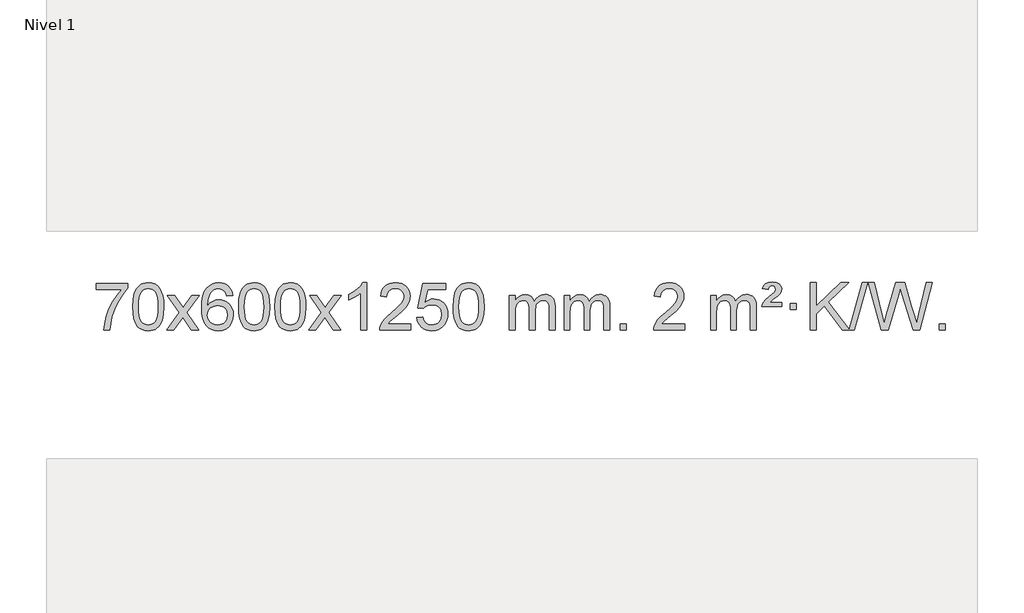
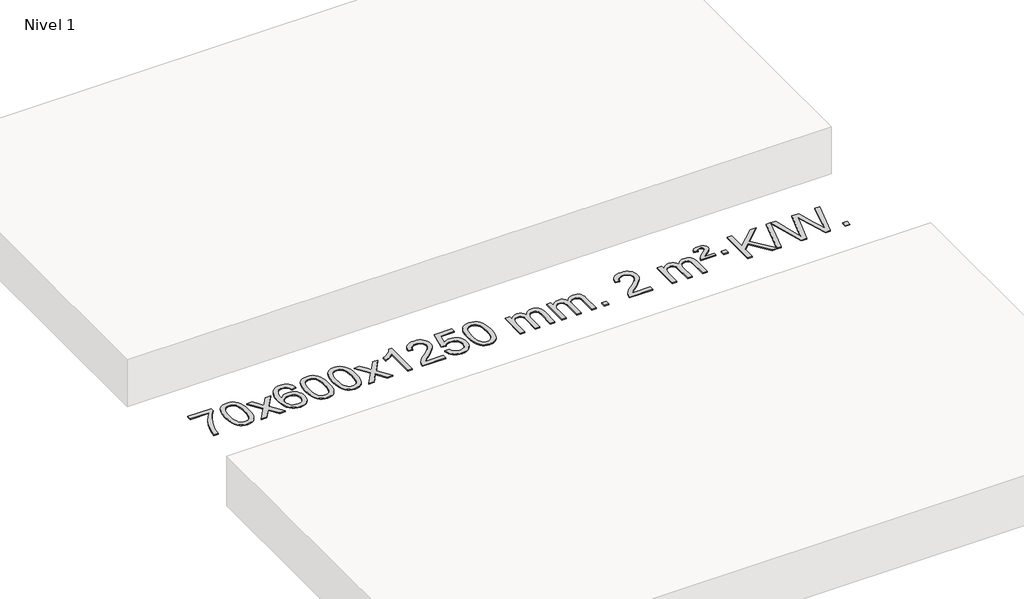
# One storey, part 3 of 7: 1 proxy.
"""IFC4 building model written with IfcOpenShell, lengths in millimetres."""

from ifc_helpers import new_model, si_unit, origin, origin_with_axes, place, context, project, spatial, polyline, outline, extrude, element, save

model = new_model("IFC4")

# Units and contexts
model_context = context("Model", 3, world=origin())
ifc_project = project(units=[si_unit("LENGTHUNIT", "METRE", prefix="MILLI")], contexts=[model_context])

# Site, building, storey
site = spatial("IfcSite", under=ifc_project)
building = spatial("IfcBuilding", under=site)
storey = spatial("IfcBuildingStorey", under=building, Name="Nivel 1", Elevation=0.0)

# Proxy
placement = place(None, origin())
element("IfcBuildingElementProxy", 1, Name="Texto de modelo 1", ObjectType="Texto de modelo 1", at=placement, inside=storey, context=model_context, shape_type="SweptSolid", body=[
    extrude(outline(polyline([(-25593.8451637, -6339.2982907), (-25593.8451637, -6289.0701357), (-25330.1473496, -6289.0701357), (-25330.1473496, -6329.6843079), (-25367.7326267, -6377.2514499), (-25404.9500219, -6437.7435126), (-25437.7773586, -6505.6422662), (-25462.1924604, -6575.4294807), (-25474.1608879, -6627.6441985), (-25480.8318148, -6684.6168569), (-25531.0599699, -6684.6168569), (-25525.6275791, -6632.8435974), (-25511.0962403, -6571.3092024), (-25487.8583609, -6506.0837246), (-25456.3063484, -6443.2372171), (-25419.469098, -6386.4239743), (-25380.3755046, -6339.2982907), (-25593.8451637, -6339.2982907)])), origin_with_axes(), (0.0, 0.0, 1.0), 10.0),
    extrude(outline(polyline([(-25286.1977139, -6486.9415981), (-25282.5066312, -6422.6235626), (-25271.4333831, -6371.3285498), (-25253.0883343, -6332.2717446), (-25241.2302713, -6317.0383643), (-25227.5818493, -6304.6683323), (-25212.097083, -6295.097269), (-25194.7299871, -6288.2607953), (-25154.3488068, -6282.7916163), (-25123.3976683, -6286.0289778), (-25095.6838913, -6295.7410625), (-25072.5073256, -6311.5477256), (-25055.1678209, -6333.0688223), (-25042.0712219, -6360.1204117), (-25031.6233732, -6392.5185527), (-25024.7807681, -6433.6600225), (-25022.4998997, -6486.9415981), (-25026.1541942, -6550.8917516), (-25037.1170777, -6602.0641372), (-25055.3517619, -6641.1577305), (-25067.1822337, -6656.437096), (-25080.8214587, -6668.8715075), (-25096.3246191, -6678.5069501), (-25113.7468973, -6685.3894091), (-25154.3488068, -6690.8953763), (-25182.0135328, -6688.5041433), (-25206.5389992, -6681.3304444), (-25227.9252058, -6669.3742795), (-25246.1721528, -6652.6356488), (-25263.6833358, -6622.3773547), (-25276.1913236, -6584.6755815), (-25283.6961163, -6539.5303293), (-25286.1977139, -6486.9415981)]), holes=[polyline([(-25235.9695588, -6486.8434963), (-25234.4980308, -6530.5080234), (-25230.0834469, -6565.8522861), (-25222.725807, -6592.8762843), (-25212.4251111, -6611.5800181), (-25199.9661742, -6624.3056694), (-25186.1338112, -6633.3954204), (-25170.9280221, -6638.849271), (-25154.3488068, -6640.6672212), (-25137.7695916, -6638.8431396), (-25122.5638024, -6633.3708949), (-25108.7314394, -6624.2504871), (-25096.2725025, -6611.4819162), (-25085.9718066, -6592.7475256), (-25078.6141667, -6565.7296588), (-25074.1995828, -6530.4283156), (-25072.7280548, -6486.8434963), (-25074.1505319, -6444.3347317), (-25078.417963, -6409.6128027), (-25085.5303482, -6382.6777093), (-25095.4876876, -6363.5294515), (-25107.738158, -6350.1814664), (-25121.7299366, -6340.6471914), (-25137.4630232, -6334.9266264), (-25154.937418, -6333.0197713), (-25171.4307941, -6334.6997658), (-25186.3790659, -6339.7397491), (-25199.7822332, -6348.1397213), (-25211.6402962, -6359.8996825), (-25222.2843486, -6380.7463289), (-25229.8872431, -6408.8525133), (-25234.4489799, -6444.2182358), (-25235.9695588, -6486.8434963)])]), origin_with_axes(), (0.0, 0.0, 1.0), 10.0),
    extrude(outline(polyline([(-24997.3858222, -6684.6168569), (-24890.0623815, -6536.2868364), (-24991.1073028, -6389.5264458), (-24930.6765537, -6389.5264458), (-24881.9199266, -6460.1597889), (-24859.1602939, -6493.5144231), (-24839.4418189, -6466.2421045), (-24783.9161631, -6389.5264458), (-24723.4854141, -6389.5264458), (-24829.6316324, -6536.2868364), (-24727.4094887, -6684.6168569), (-24787.8402377, -6684.6168569), (-24849.3501073, -6595.4422612), (-24860.6318219, -6579.1573516), (-24936.9550731, -6684.6168569), (-24997.3858222, -6684.6168569)])), origin_with_axes(), (0.0, 0.0, 1.0), 10.0),
    extrude(outline(polyline([(-24438.597597, -6389.5264458), (-24488.8257521, -6395.8049652), (-24496.919156, -6370.9116168), (-24507.8575139, -6353.9154687), (-24530.6416722, -6338.2436957), (-24558.1837709, -6333.0197713), (-24581.5320148, -6336.0609292), (-24603.5068327, -6345.1844027), (-24622.379179, -6364.4001055), (-24637.7934346, -6390.850821), (-24648.2044951, -6428.2644199), (-24652.0672561, -6480.3687731), (-24631.9195855, -6456.8611137), (-24607.7742638, -6440.2941611), (-24580.9801919, -6430.4717119), (-24552.8862702, -6427.1975621), (-24528.7532113, -6429.4355109), (-24506.4840878, -6436.1493573), (-24486.0788998, -6447.3391013), (-24467.5376473, -6463.004743), (-24452.129523, -6482.2143145), (-24441.12372, -6504.0358482), (-24434.5202382, -6528.469344), (-24432.3190776, -6555.514802), (-24436.4638814, -6591.4813984), (-24448.8982929, -6624.8237699), (-24468.5922423, -6653.1016326), (-24494.5156603, -6673.8747026), (-24525.4913243, -6686.6402078), (-24560.3420119, -6690.8953763), (-24590.2845407, -6688.0749476), (-24617.326933, -6679.6136617), (-24641.4691889, -6665.5115186), (-24662.7113085, -6645.7685182), (-24680.0293534, -6619.5507947), (-24692.3993855, -6586.0244822), (-24699.8214047, -6545.1895807), (-24702.2954111, -6497.0460903), (-24699.5485589, -6443.0716702), (-24691.3080022, -6397.006713), (-24677.5737411, -6358.8512188), (-24658.3457754, -6328.6051874), (-24637.5052604, -6308.56175), (-24613.3415447, -6294.2450091), (-24585.8546283, -6285.6549645), (-24555.0445112, -6282.7916163), (-24531.9108651, -6284.5635812), (-24510.9722482, -6289.879476), (-24492.2286605, -6298.7393008), (-24475.6801021, -6311.1430554), (-24461.7741627, -6326.6738069), (-24450.958432, -6344.9146225), (-24443.2329101, -6365.8655021), (-24438.597597, -6389.5264458)]), holes=[polyline([(-24652.0672561, -6554.7299871), (-24649.1609883, -6576.9868478), (-24640.442185, -6598.2381644), (-24626.9041276, -6616.5096368), (-24609.5400974, -6629.8269651), (-24588.5830864, -6637.9571571), (-24564.2660865, -6640.6672212), (-24531.1199188, -6635.0508894), (-24517.2047823, -6628.0304746), (-24505.0616108, -6618.201894), (-24495.2115704, -6605.9636863), (-24488.1758272, -6591.7143904), (-24482.5472327, -6557.1825337), (-24488.1022508, -6524.036366), (-24495.0460235, -6510.4155351), (-24504.7673052, -6498.7628729), (-24516.9472649, -6489.4278673), (-24531.2670716, -6482.7600061), (-24566.3262257, -6477.4257172), (-24599.4233425, -6482.7600061), (-24627.1003313, -6498.7628729), (-24638.0233609, -6510.2622509), (-24645.8255249, -6523.4232293), (-24650.5068233, -6538.245808), (-24652.0672561, -6554.7299871)])]), origin_with_axes(), (0.0, 0.0, 1.0), 10.0),
    extrude(outline(polyline([(-24388.3694419, -6486.9415981), (-24384.6783592, -6422.6235626), (-24373.6051112, -6371.3285498), (-24355.2600623, -6332.2717446), (-24343.4019994, -6317.0383643), (-24329.7535774, -6304.6683323), (-24314.268811, -6295.097269), (-24296.9017152, -6288.2607953), (-24256.5205348, -6282.7916163), (-24225.5693963, -6286.0289778), (-24197.8556193, -6295.7410625), (-24174.6790537, -6311.5477256), (-24157.3395489, -6333.0688223), (-24144.2429499, -6360.1204117), (-24133.7951013, -6392.5185527), (-24126.9524961, -6433.6600225), (-24124.6716278, -6486.9415981), (-24128.3259223, -6550.8917516), (-24139.2888057, -6602.0641372), (-24157.5234899, -6641.1577305), (-24169.3539618, -6656.437096), (-24182.9931867, -6668.8715075), (-24198.4963472, -6678.5069501), (-24215.9186253, -6685.3894091), (-24256.5205348, -6690.8953763), (-24284.1852609, -6688.5041433), (-24308.7107272, -6681.3304444), (-24330.0969339, -6669.3742795), (-24348.3438808, -6652.6356488), (-24365.8550638, -6622.3773547), (-24378.3630516, -6584.6755815), (-24385.8678443, -6539.5303293), (-24388.3694419, -6486.9415981)]), holes=[polyline([(-24338.1412868, -6486.8434963), (-24336.6697589, -6530.5080234), (-24332.2551749, -6565.8522861), (-24324.897535, -6592.8762843), (-24314.5968391, -6611.5800181), (-24302.1379022, -6624.3056694), (-24288.3055392, -6633.3954204), (-24273.0997501, -6638.849271), (-24256.5205348, -6640.6672212), (-24239.9413196, -6638.8431396), (-24224.7355305, -6633.3708949), (-24210.9031674, -6624.2504871), (-24198.4442305, -6611.4819162), (-24188.1435347, -6592.7475256), (-24180.7858948, -6565.7296588), (-24176.3713108, -6530.4283156), (-24174.8997828, -6486.8434963), (-24176.3222599, -6444.3347317), (-24180.589691, -6409.6128027), (-24187.7020763, -6382.6777093), (-24197.6594156, -6363.5294515), (-24209.9098861, -6350.1814664), (-24223.9016646, -6340.6471914), (-24239.6347513, -6334.9266264), (-24257.109146, -6333.0197713), (-24273.6025222, -6334.6997658), (-24288.5507939, -6339.7397491), (-24301.9539612, -6348.1397213), (-24313.8120242, -6359.8996825), (-24324.4560766, -6380.7463289), (-24332.0589712, -6408.8525133), (-24336.6207079, -6444.2182358), (-24338.1412868, -6486.8434963)])]), origin_with_axes(), (0.0, 0.0, 1.0), 10.0),
    extrude(outline(polyline([(-24080.7219921, -6486.9415981), (-24077.0309094, -6422.6235626), (-24065.9576613, -6371.3285498), (-24047.6126125, -6332.2717446), (-24035.7545495, -6317.0383643), (-24022.1061275, -6304.6683323), (-24006.6213612, -6295.097269), (-23989.2542653, -6288.2607953), (-23948.873085, -6282.7916163), (-23917.9219465, -6286.0289778), (-23890.2081695, -6295.7410625), (-23867.0316038, -6311.5477256), (-23849.6920991, -6333.0688223), (-23836.5955001, -6360.1204117), (-23826.1476514, -6392.5185527), (-23819.3050463, -6433.6600225), (-23817.0241779, -6486.9415981), (-23820.6784724, -6550.8917516), (-23831.6413559, -6602.0641372), (-23849.8760401, -6641.1577305), (-23861.7065119, -6656.437096), (-23875.3457369, -6668.8715075), (-23890.8488973, -6678.5069501), (-23908.2711755, -6685.3894091), (-23948.873085, -6690.8953763), (-23976.537811, -6688.5041433), (-24001.0632774, -6681.3304444), (-24022.449484, -6669.3742795), (-24040.696431, -6652.6356488), (-24058.207614, -6622.3773547), (-24070.7156018, -6584.6755815), (-24078.2203945, -6539.5303293), (-24080.7219921, -6486.9415981)]), holes=[polyline([(-24030.493837, -6486.8434963), (-24029.022309, -6530.5080234), (-24024.6077251, -6565.8522861), (-24017.2500852, -6592.8762843), (-24006.9493893, -6611.5800181), (-23994.4904524, -6624.3056694), (-23980.6580894, -6633.3954204), (-23965.4523003, -6638.849271), (-23948.873085, -6640.6672212), (-23932.2938698, -6638.8431396), (-23917.0880806, -6633.3708949), (-23903.2557176, -6624.2504871), (-23890.7967807, -6611.4819162), (-23880.4960848, -6592.7475256), (-23873.1384449, -6565.7296588), (-23868.723861, -6530.4283156), (-23867.252333, -6486.8434963), (-23868.6748101, -6444.3347317), (-23872.9422412, -6409.6128027), (-23880.0546264, -6382.6777093), (-23890.0119658, -6363.5294515), (-23902.2624362, -6350.1814664), (-23916.2542148, -6340.6471914), (-23931.9873014, -6334.9266264), (-23949.4616962, -6333.0197713), (-23965.9550723, -6334.6997658), (-23980.9033441, -6339.7397491), (-23994.3065114, -6348.1397213), (-24006.1645744, -6359.8996825), (-24016.8086268, -6380.7463289), (-24024.4115214, -6408.8525133), (-24028.9732581, -6444.2182358), (-24030.493837, -6486.8434963)])]), origin_with_axes(), (0.0, 0.0, 1.0), 10.0),
    extrude(outline(polyline([(-23791.9101004, -6684.6168569), (-23684.5866597, -6536.2868364), (-23785.631581, -6389.5264458), (-23725.2008319, -6389.5264458), (-23676.4442048, -6460.1597889), (-23653.6845721, -6493.5144231), (-23633.9660971, -6466.2421045), (-23578.4404413, -6389.5264458), (-23518.0096923, -6389.5264458), (-23624.1559106, -6536.2868364), (-23521.9337669, -6684.6168569), (-23582.3645159, -6684.6168569), (-23643.8743855, -6595.4422612), (-23655.1561001, -6579.1573516), (-23731.4793513, -6684.6168569), (-23791.9101004, -6684.6168569)])), origin_with_axes(), (0.0, 0.0, 1.0), 10.0),
    extrude(outline(polyline([(-23302.1855884, -6684.6168569), (-23352.4137435, -6684.6168569), (-23352.4137435, -6371.4757026), (-23373.3830172, -6388.4350626), (-23399.9931482, -6405.3698971), (-23452.8700536, -6430.7292293), (-23452.8700536, -6383.2479264), (-23413.420841, -6361.7881434), (-23379.2446037, -6336.2571329), (-23352.3033789, -6309.1074417), (-23334.559204, -6282.7916163), (-23302.1855884, -6282.7916163), (-23302.1855884, -6684.6168569)])), origin_with_axes(), (0.0, 0.0, 1.0), 10.0),
    extrude(outline(polyline([(-22925.4744254, -6634.3887018), (-22925.4744254, -6684.6168569), (-23189.1722395, -6684.6168569), (-23188.0685935, -6666.9339956), (-23183.7766369, -6649.9868984), (-23171.3912764, -6622.9230463), (-23153.2669568, -6596.6685346), (-23127.0492333, -6569.1877495), (-23090.3836611, -6538.4450775), (-23036.1823804, -6490.301587), (-23003.6616121, -6454.7641863), (-22987.4012279, -6425.9222379), (-22981.9810998, -6397.8651044), (-22987.0946596, -6372.7142386), (-23002.4353388, -6351.8062786), (-23026.0165746, -6337.7163982), (-23055.8518045, -6333.0197713), (-23087.1830877, -6337.6060336), (-23111.5246131, -6351.3648202), (-23127.2331742, -6373.2170107), (-23132.665565, -6402.0834846), (-23182.8937201, -6395.8049652), (-23178.5741724, -6369.8754159), (-23170.7168261, -6347.2200164), (-23159.3216813, -6327.8387666), (-23144.388738, -6311.7316666), (-23126.2613526, -6299.0703946), (-23105.2828819, -6290.0266288), (-23081.4533256, -6284.6003694), (-23054.7726839, -6282.7916163), (-23027.8529189, -6284.8027045), (-23003.894604, -6290.8359692), (-22982.8977391, -6300.8914104), (-22964.8623243, -6314.9690281), (-22950.3769708, -6332.02649), (-22940.0302896, -6351.0214636), (-22933.822281, -6371.9539492), (-22931.7529447, -6394.8239465), (-22933.9847622, -6418.8466408), (-22940.6802145, -6442.4524022), (-22952.5628029, -6466.4628337), (-22970.3560288, -6491.6995386), (-22998.7197306, -6521.829074), (-23042.313747, -6560.5179972), (-23100.0957457, -6608.8331659), (-23122.7572766, -6634.3887018), (-22925.4744254, -6634.3887018)])), origin_with_axes(), (0.0, 0.0, 1.0), 10.0),
    extrude(outline(polyline([(-22875.2462703, -6577.8820273), (-22825.0181152, -6571.603508), (-22815.7965399, -6601.7575688), (-22799.7078339, -6623.3522419), (-22776.8255738, -6636.3384764), (-22747.223336, -6640.6672212), (-22728.0934722, -6639.1619707), (-22711.2199514, -6634.6462192), (-22696.6027734, -6627.1199667), (-22684.2419384, -6616.5832132), (-22674.4133578, -6603.5571249), (-22667.392943, -6588.5628679), (-22661.7766112, -6552.6698479), (-22667.0373238, -6518.8737553), (-22673.6132144, -6504.9555532), (-22682.8194613, -6493.0239138), (-22694.6867214, -6483.4528505), (-22709.2456513, -6476.6163768), (-22746.438521, -6471.1471978), (-22770.8045719, -6473.3299643), (-22790.5353095, -6479.8782638), (-22806.2929217, -6489.9091796), (-22818.7395958, -6502.5397947), (-22868.9677509, -6496.2612753), (-22825.0181152, -6289.0701357), (-22630.3840143, -6289.0701357), (-22630.3840143, -6339.2982907), (-22784.4039429, -6339.2982907), (-22805.8882515, -6449.9571949), (-22788.1624707, -6437.2530033), (-22770.0074942, -6428.1785808), (-22751.4233221, -6422.7339272), (-22732.4099543, -6420.9190427), (-22707.9488673, -6423.1692543), (-22685.4804744, -6429.9198889), (-22665.0047757, -6441.1709466), (-22646.5217712, -6456.9224273), (-22631.2209458, -6476.2117066), (-22620.2917849, -6498.0761598), (-22613.7342883, -6522.5157871), (-22611.5484561, -6549.5305882), (-22613.5166248, -6575.552108), (-22619.4211308, -6599.7587433), (-22629.2619742, -6622.1504941), (-22643.0391549, -6642.7273604), (-22663.9103268, -6663.8008673), (-22688.2641149, -6678.8533723), (-22716.1005192, -6687.8848753), (-22747.4195397, -6690.8953763), (-22773.3398919, -6688.9609301), (-22796.7525152, -6683.1575916), (-22817.6574096, -6673.4853608), (-22836.0545751, -6659.9442377), (-22851.3615318, -6643.2086726), (-22862.9957998, -6623.9531159), (-22870.9573794, -6602.1775674), (-22875.2462703, -6577.8820273)])), origin_with_axes(), (0.0, 0.0, 1.0), 10.0),
    extrude(outline(polyline([(-22567.5988205, -6486.9415981), (-22563.9077378, -6422.6235626), (-22552.8344897, -6371.3285498), (-22534.4894409, -6332.2717446), (-22522.6313779, -6317.0383643), (-22508.9829559, -6304.6683323), (-22493.4981896, -6295.097269), (-22476.1310937, -6288.2607953), (-22435.7499134, -6282.7916163), (-22404.7987749, -6286.0289778), (-22377.0849979, -6295.7410625), (-22353.9084322, -6311.5477256), (-22336.5689275, -6333.0688223), (-22323.4723285, -6360.1204117), (-22313.0244798, -6392.5185527), (-22306.1818747, -6433.6600225), (-22303.9010063, -6486.9415981), (-22307.5553008, -6550.8917516), (-22318.5181843, -6602.0641372), (-22336.7528685, -6641.1577305), (-22348.5833403, -6656.437096), (-22362.2225653, -6668.8715075), (-22377.7257257, -6678.5069501), (-22395.1480038, -6685.3894091), (-22435.7499134, -6690.8953763), (-22463.4146394, -6688.5041433), (-22487.9401058, -6681.3304444), (-22509.3263124, -6669.3742795), (-22527.5732594, -6652.6356488), (-22545.0844423, -6622.3773547), (-22557.5924302, -6584.6755815), (-22565.0972229, -6539.5303293), (-22567.5988205, -6486.9415981)]), holes=[polyline([(-22517.3706654, -6486.8434963), (-22515.8991374, -6530.5080234), (-22511.4845535, -6565.8522861), (-22504.1269136, -6592.8762843), (-22493.8262177, -6611.5800181), (-22481.3672808, -6624.3056694), (-22467.5349178, -6633.3954204), (-22452.3291286, -6638.849271), (-22435.7499134, -6640.6672212), (-22419.1706981, -6638.8431396), (-22403.964909, -6633.3708949), (-22390.132546, -6624.2504871), (-22377.6736091, -6611.4819162), (-22367.3729132, -6592.7475256), (-22360.0152733, -6565.7296588), (-22355.6006894, -6530.4283156), (-22354.1291614, -6486.8434963), (-22355.5516384, -6444.3347317), (-22359.8190696, -6409.6128027), (-22366.9314548, -6382.6777093), (-22376.8887942, -6363.5294515), (-22389.1392646, -6350.1814664), (-22403.1310431, -6340.6471914), (-22418.8641298, -6334.9266264), (-22436.3385246, -6333.0197713), (-22452.8319007, -6334.6997658), (-22467.7801724, -6339.7397491), (-22481.1833398, -6348.1397213), (-22493.0414028, -6359.8996825), (-22503.6854552, -6380.7463289), (-22511.2883497, -6408.8525133), (-22515.8500865, -6444.2182358), (-22517.3706654, -6486.8434963)])]), origin_with_axes(), (0.0, 0.0, 1.0), 10.0),
    extrude(outline(polyline([(-22090.4313472, -6684.6168569), (-22090.4313472, -6389.5264458), (-22040.2031922, -6389.5264458), (-22040.2031922, -6438.0868692), (-22025.0955049, -6415.7809575), (-22005.6713356, -6398.3065628), (-21982.5928717, -6387.0125855), (-21956.522301, -6383.2479264), (-21928.5877948, -6387.0861619), (-21906.1960441, -6398.6008684), (-21889.469676, -6417.0317563), (-21878.531318, -6441.6185363), (-21860.2230574, -6416.0813945), (-21839.3396228, -6397.8405789), (-21815.8810142, -6386.8960895), (-21789.8472317, -6383.2479264), (-21769.739415, -6384.7654397), (-21752.0902763, -6389.3179793), (-21736.8998156, -6396.9055455), (-21724.1680328, -6407.5281381), (-21714.1033946, -6421.3083845), (-21706.9143673, -6438.368912), (-21702.6009509, -6458.7097207), (-21701.1631454, -6482.3308105), (-21701.1631454, -6684.6168569), (-21751.3913005, -6684.6168569), (-21751.3913005, -6503.9132208), (-21752.5562601, -6478.860457), (-21756.0511391, -6461.9746734), (-21762.5994386, -6450.410916), (-21772.9246599, -6441.3242307), (-21786.2052, -6435.4381188), (-21801.6194556, -6433.4760815), (-21828.8304605, -6438.5038021), (-21851.0137448, -6453.5869639), (-21859.6191178, -6465.1568526), (-21865.7658128, -6479.7556365), (-21870.6831688, -6518.0398895), (-21870.6831688, -6684.6168569), (-21920.9113239, -6684.6168569), (-21920.9113239, -6498.3214145), (-21923.8175916, -6469.9209245), (-21932.5363949, -6449.6628893), (-21947.8770741, -6437.5227834), (-21970.6489696, -6433.4760815), (-21989.9995626, -6436.1738828), (-22007.8295766, -6444.2672867), (-22022.5448564, -6457.5600894), (-22032.5512467, -6475.8560873), (-22038.2902058, -6501.239945), (-22040.2031922, -6535.7963271), (-22040.2031922, -6684.6168569), (-22090.4313472, -6684.6168569)])), origin_with_axes(), (0.0, 0.0, 1.0), 10.0),
    extrude(outline(polyline([(-21625.8209128, -6684.6168569), (-21625.8209128, -6389.5264458), (-21575.5927577, -6389.5264458), (-21575.5927577, -6438.0868692), (-21560.4850705, -6415.7809575), (-21541.0609011, -6398.3065628), (-21517.9824373, -6387.0125855), (-21491.9118666, -6383.2479264), (-21463.9773604, -6387.0861619), (-21441.5856096, -6398.6008684), (-21424.8592416, -6417.0317563), (-21413.9208836, -6441.6185363), (-21395.612623, -6416.0813945), (-21374.7291884, -6397.8405789), (-21351.2705798, -6386.8960895), (-21325.2367973, -6383.2479264), (-21305.1289806, -6384.7654397), (-21287.4798418, -6389.3179793), (-21272.2893811, -6396.9055455), (-21259.5575984, -6407.5281381), (-21249.4929602, -6421.3083845), (-21242.3039328, -6438.368912), (-21237.9905164, -6458.7097207), (-21236.552711, -6482.3308105), (-21236.552711, -6684.6168569), (-21286.780866, -6684.6168569), (-21286.780866, -6503.9132208), (-21287.9458257, -6478.860457), (-21291.4407047, -6461.9746734), (-21297.9890042, -6450.410916), (-21308.3142255, -6441.3242307), (-21321.5947655, -6435.4381188), (-21337.0090211, -6433.4760815), (-21364.220026, -6438.5038021), (-21386.4033103, -6453.5869639), (-21395.0086833, -6465.1568526), (-21401.1553783, -6479.7556365), (-21406.0727343, -6518.0398895), (-21406.0727343, -6684.6168569), (-21456.3008894, -6684.6168569), (-21456.3008894, -6498.3214145), (-21459.2071572, -6469.9209245), (-21467.9259605, -6449.6628893), (-21483.2666397, -6437.5227834), (-21506.0385352, -6433.4760815), (-21525.3891281, -6436.1738828), (-21543.2191422, -6444.2672867), (-21557.934422, -6457.5600894), (-21567.9408122, -6475.8560873), (-21573.6797714, -6501.239945), (-21575.5927577, -6535.7963271), (-21575.5927577, -6684.6168569), (-21625.8209128, -6684.6168569)])), origin_with_axes(), (0.0, 0.0, 1.0), 10.0),
    extrude(outline(polyline([(-21148.6534396, -6684.6168569), (-21148.6534396, -6634.3887018), (-21098.4252845, -6634.3887018), (-21098.4252845, -6684.6168569), (-21148.6534396, -6684.6168569)])), origin_with_axes(), (0.0, 0.0, 1.0), 10.0),
    extrude(outline(polyline([(-20602.4222532, -6634.3887018), (-20602.4222532, -6684.6168569), (-20866.1200673, -6684.6168569), (-20865.0164213, -6666.9339956), (-20860.7244647, -6649.9868984), (-20848.3391042, -6622.9230463), (-20830.2147846, -6596.6685346), (-20803.997061, -6569.1877495), (-20767.3314889, -6538.4450775), (-20713.1302082, -6490.301587), (-20680.6094399, -6454.7641863), (-20664.3490557, -6425.9222379), (-20658.9289276, -6397.8651044), (-20664.0424873, -6372.7142386), (-20679.3831665, -6351.8062786), (-20702.9644024, -6337.7163982), (-20732.7996322, -6333.0197713), (-20764.1309155, -6337.6060336), (-20788.4724408, -6351.3648202), (-20804.181002, -6373.2170107), (-20809.6133928, -6402.0834846), (-20859.8415479, -6395.8049652), (-20855.5220002, -6369.8754159), (-20847.6646539, -6347.2200164), (-20836.2695091, -6327.8387666), (-20821.3365657, -6311.7316666), (-20803.2091804, -6299.0703946), (-20782.2307097, -6290.0266288), (-20758.4011534, -6284.6003694), (-20731.7205117, -6282.7916163), (-20704.8007467, -6284.8027045), (-20680.8424318, -6290.8359692), (-20659.8455669, -6300.8914104), (-20641.8101521, -6314.9690281), (-20627.3247985, -6332.02649), (-20616.9781174, -6351.0214636), (-20610.7701088, -6371.9539492), (-20608.7007725, -6394.8239465), (-20610.93259, -6418.8466408), (-20617.6280423, -6442.4524022), (-20629.5106307, -6466.4628337), (-20647.3038566, -6491.6995386), (-20675.6675584, -6521.829074), (-20719.2615748, -6560.5179972), (-20777.0435735, -6608.8331659), (-20799.7051044, -6634.3887018), (-20602.4222532, -6634.3887018)])), origin_with_axes(), (0.0, 0.0, 1.0), 10.0),
    extrude(outline(polyline([(-20382.6740747, -6684.6168569), (-20382.6740747, -6389.5264458), (-20332.4459196, -6389.5264458), (-20332.4459196, -6438.0868692), (-20317.3382324, -6415.7809575), (-20297.914063, -6398.3065628), (-20274.8355992, -6387.0125855), (-20248.7650285, -6383.2479264), (-20220.8305223, -6387.0861619), (-20198.4387715, -6398.6008684), (-20181.7124035, -6417.0317563), (-20170.7740455, -6441.6185363), (-20152.4657849, -6416.0813945), (-20131.5823503, -6397.8405789), (-20108.1237417, -6386.8960895), (-20082.0899592, -6383.2479264), (-20061.9821425, -6384.7654397), (-20044.3330037, -6389.3179793), (-20029.142543, -6396.9055455), (-20016.4107603, -6407.5281381), (-20006.3461221, -6421.3083845), (-19999.1570947, -6438.368912), (-19994.8436783, -6458.7097207), (-19993.4058729, -6482.3308105), (-19993.4058729, -6684.6168569), (-20043.6340279, -6684.6168569), (-20043.6340279, -6503.9132208), (-20044.7989876, -6478.860457), (-20048.2938666, -6461.9746734), (-20054.8421661, -6450.410916), (-20065.1673874, -6441.3242307), (-20078.4479274, -6435.4381188), (-20093.862183, -6433.4760815), (-20121.0731879, -6438.5038021), (-20143.2564722, -6453.5869639), (-20151.8618452, -6465.1568526), (-20158.0085402, -6479.7556365), (-20162.9258962, -6518.0398895), (-20162.9258962, -6684.6168569), (-20213.1540513, -6684.6168569), (-20213.1540513, -6498.3214145), (-20216.0603191, -6469.9209245), (-20224.7791224, -6449.6628893), (-20240.1198016, -6437.5227834), (-20262.8916971, -6433.4760815), (-20282.24229, -6436.1738828), (-20300.072304, -6444.2672867), (-20314.7875839, -6457.5600894), (-20324.7939741, -6475.8560873), (-20330.5329333, -6501.239945), (-20332.4459196, -6535.7963271), (-20332.4459196, -6684.6168569), (-20382.6740747, -6684.6168569)])), origin_with_axes(), (0.0, 0.0, 1.0), 10.0),
    extrude(outline(polyline([(-19949.4562372, -6483.7042366), (-19945.6302644, -6467.8853108), (-19937.2916059, -6452.0173341), (-19915.7827719, -6426.878731), (-19883.8260892, -6399.1404286), (-19839.6802498, -6361.7636179), (-19832.5433391, -6350.2366487), (-19830.1643689, -6338.4153739), (-19832.0528298, -6326.324319), (-19837.7182125, -6316.538658), (-19847.0869407, -6310.0639348), (-19860.0854378, -6307.9056938), (-19872.5198493, -6309.5243746), (-19881.3735426, -6314.3804169), (-19887.7992148, -6323.8472469), (-19892.9495627, -6339.2982907), (-19943.1777178, -6333.0197713), (-19932.3374617, -6307.8075919), (-19915.7091955, -6290.247358), (-19891.9440186, -6279.9466622), (-19859.6930304, -6276.5130969), (-19823.910375, -6280.645638), (-19799.1641794, -6293.0432612), (-19784.7432052, -6311.3760473), (-19779.9362138, -6333.3140769), (-19784.0319667, -6356.2208625), (-19796.3192253, -6377.8523238), (-19816.8470407, -6397.6689006), (-19853.3164091, -6425.7260341), (-19878.920996, -6452.3116396), (-19779.9362138, -6452.3116396), (-19779.9362138, -6483.7042366), (-19949.4562372, -6483.7042366)])), origin_with_axes(), (0.0, 0.0, 1.0), 10.0),
    extrude(outline(polyline([(-19704.5939812, -6508.8183141), (-19704.5939812, -6458.590159), (-19654.3658261, -6458.590159), (-19654.3658261, -6508.8183141), (-19704.5939812, -6508.8183141)])), origin_with_axes(), (0.0, 0.0, 1.0), 10.0),
    extrude(outline(polyline([(-19263.7241982, -6684.6168569), (-19417.1555156, -6481.938403), (-19484.8458027, -6546.4894304), (-19484.8458027, -6684.6168569), (-19535.0739578, -6684.6168569), (-19535.0739578, -6282.7916163), (-19484.8458027, -6282.7916163), (-19484.8458027, -6479.4858564), (-19278.8318854, -6282.7916163), (-19208.5909498, -6282.7916163), (-19381.5445385, -6447.9951576), (-19206.8909286, -6678.5723371), (-19095.5776009, -6282.7916163), (-19050.2545391, -6282.7916163), (-19163.267888, -6684.6168569), (-19202.3124304, -6684.6168569), (-19208.5909498, -6684.6168569), (-19263.7241982, -6684.6168569)])), origin_with_axes(), (0.0, 0.0, 1.0), 10.0),
    extrude(outline(polyline([(-18935.7696622, -6684.6168569), (-19045.3494458, -6282.7916163), (-18993.5516609, -6282.7916163), (-18929.9816521, -6546.8818379), (-18910.3612791, -6628.404488), (-18889.3674799, -6556.299617), (-18809.7087652, -6282.7916163), (-18735.0532456, -6282.7916163), (-18677.1731451, -6481.0554862), (-18652.3778986, -6554.6318852), (-18634.1064262, -6628.404488), (-18615.0746643, -6549.2362826), (-18550.9160443, -6282.7916163), (-18499.1182594, -6282.7916163), (-18608.7961449, -6684.6168569), (-18662.4578653, -6684.6168569), (-18758.7938971, -6374.6149623), (-18772.2338526, -6331.3520396), (-18787.3415399, -6383.4441302), (-18875.1427094, -6684.6168569), (-18935.7696622, -6684.6168569)])), origin_with_axes(), (0.0, 0.0, 1.0), 10.0),
    extrude(outline(polyline([(-18442.6115849, -6684.6168569), (-18442.6115849, -6634.3887018), (-18392.3834299, -6634.3887018), (-18392.3834299, -6684.6168569), (-18442.6115849, -6684.6168569)])), origin_with_axes(), (0.0, 0.0, 1.0), 10.0),
])

save(model, "model.ifc")
